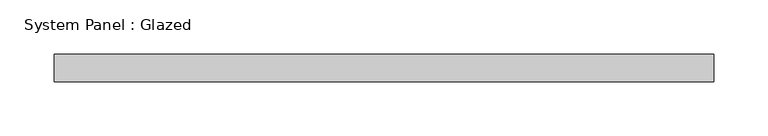
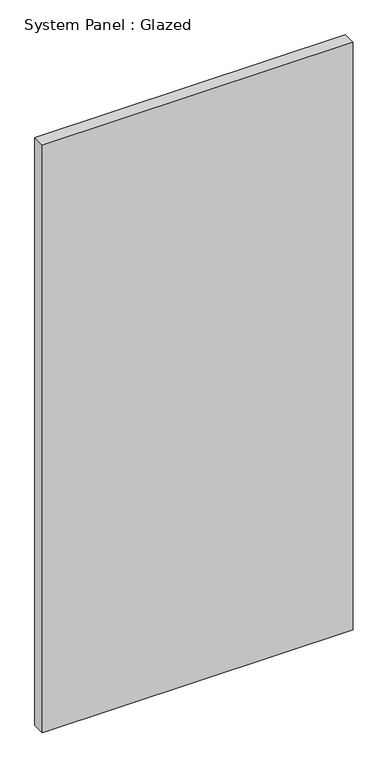
"""IFC4 building model written with IfcOpenShell, lengths in millimetres: plate geometry, System Panel : Glazed."""

from ifc_helpers import new_model, si_unit, origin, origin_with_axes, place, context, project, spatial, polyline, outline, extrude, source, transform, mapped, element, save


def system_panel_glazed_30baf18e(model_context):
    return source(origin(), model_context, "Body", "SweptSolid", [
        extrude(outline(polyline([(304.8, 19.05), (-304.8, 19.05), (-304.8, 44.45), (304.8, 44.45), (304.8, 19.05)])), origin_with_axes(), (0.0, 0.0, 1.0), 1219.2),
    ])


if __name__ == "__main__":
    model = new_model("IFC4")
    model_context = context("Model", 3, world=origin())
    ifc_project = project(units=[si_unit("LENGTHUNIT", "METRE", prefix="MILLI")], contexts=[model_context])
    site = spatial("IfcSite", under=ifc_project)
    building = spatial("IfcBuilding", under=site)
    placement = place(None, origin())
    system_panel_glazed_shape = system_panel_glazed_30baf18e(model_context)
    element("IfcPlate", 1, ObjectType="System Panel : Glazed", at=placement, inside=building, context=model_context, shape_type="MappedRepresentation", body=[
        mapped(system_panel_glazed_shape, transform((0.0, 0.0, 0.0), x_axis=(1.0, 0.0, 0.0), y_axis=(0.0, 1.0, 0.0), z_axis=(0.0, 0.0, 1.0))),
    ])
    save(model, "model.ifc")
